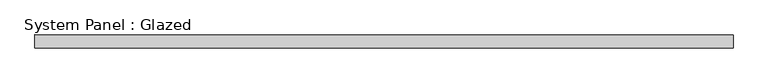
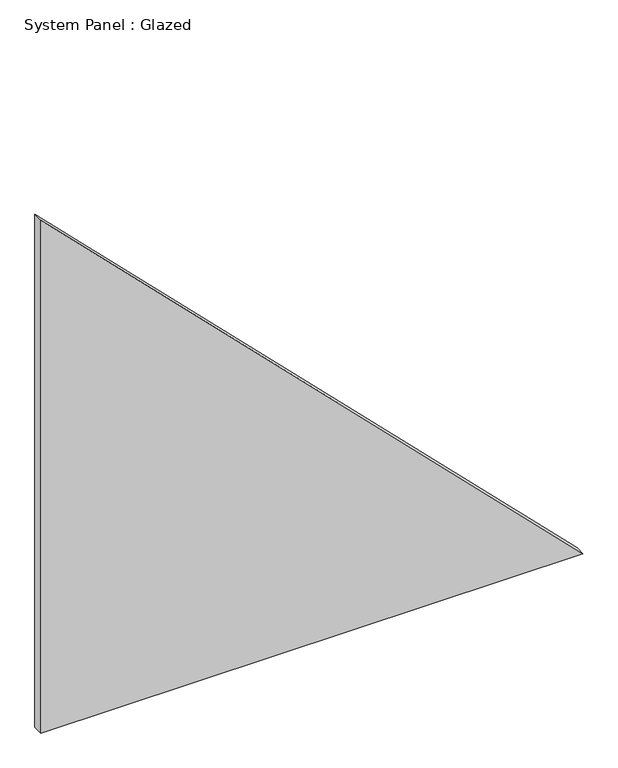
"""IFC4 building model written with IfcOpenShell, lengths in millimetres: plate geometry, System Panel : Glazed."""

from ifc_helpers import new_model, si_unit, frame, origin, place, context, project, spatial, polyline, outline, extrude, source, transform, mapped, element, save


def system_panel_glazed_0fb8987b(model_context):
    return source(origin(), model_context, "Body", "SweptSolid", [
        extrude(outline(polyline([(0.0, -665.1471863), (0.0, 665.1471863), (1330.2943725, -665.1471863), (0.0, -665.1471863)])), frame((0.0, 24.5, 0.0), z_axis=(0.0, 1.0, 0.0), x_axis=(0.0, 0.0, 1.0)), (0.0, 0.0, 1.0), 25.0),
    ])


if __name__ == "__main__":
    model = new_model("IFC4")
    model_context = context("Model", 3, world=origin())
    ifc_project = project(units=[si_unit("LENGTHUNIT", "METRE", prefix="MILLI")], contexts=[model_context])
    site = spatial("IfcSite", under=ifc_project)
    building = spatial("IfcBuilding", under=site)
    placement = place(None, origin())
    system_panel_glazed_shape = system_panel_glazed_0fb8987b(model_context)
    element("IfcPlate", 1, ObjectType="System Panel : Glazed", at=placement, inside=building, context=model_context, shape_type="MappedRepresentation", body=[
        mapped(system_panel_glazed_shape, transform((0.0, 0.0, 0.0), x_axis=(1.0, 0.0, 0.0), y_axis=(0.0, 1.0, 0.0), z_axis=(0.0, 0.0, 1.0))),
    ])
    save(model, "model.ifc")
